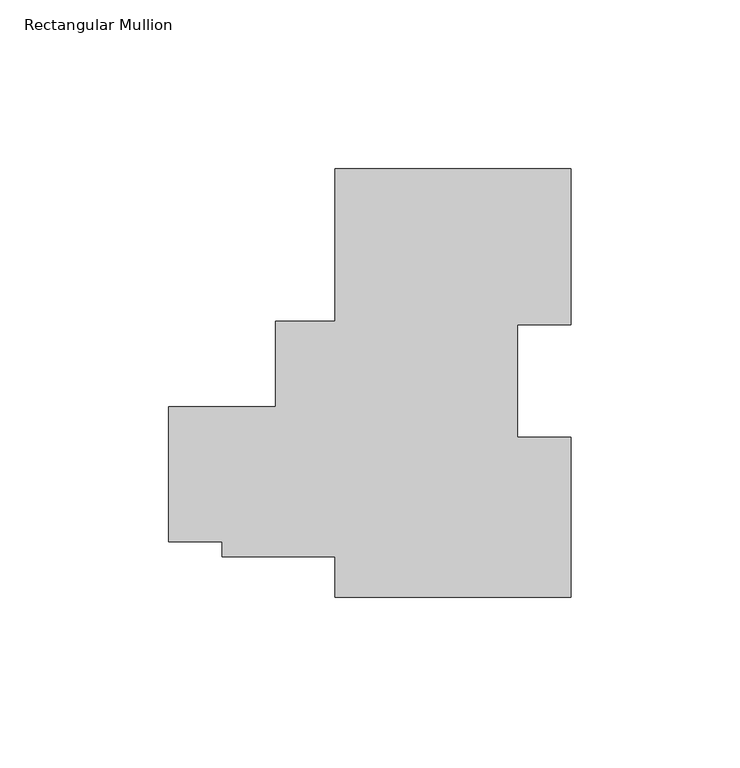
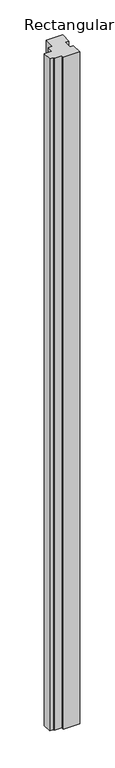
"""IFC4 building model written with IfcOpenShell, lengths in millimetres: member geometry, Rectangular Mullion."""

from ifc_helpers import new_model, si_unit, frame, origin, place, context, project, spatial, polyline, outline, extrude, source, transform, mapped, element, save


def rectangular_mullion_006559b5(model_context):
    return source(origin(), model_context, "Body", "SweptSolid", [
        extrude(outline(polyline([(-69.9423164, -80.16875), (-69.9423164, -68.1844319), (-103.3839122, -68.1844319), (-103.3839122, -63.7394319), (-119.2580027, -63.7394319), (-119.2580027, -23.7424544), (-87.5098327, -23.7424544), (-87.5098327, 1.6575456), (-69.9423164, 1.6575456), (-69.9423164, 46.83125), (0.0, 46.83125), (0.0, 0.6499846), (-15.8750006, 0.6499846), (-15.8750006, -32.7093614), (-6e-07, -32.7093614), (-6e-07, -80.16875), (-69.9423164, -80.16875)])), frame((0.0, 0.0, -3048.0), z_axis=(0.0, 0.0, 1.0), x_axis=(1.0, 0.0, 0.0)), (0.0, 0.0, 1.0), 3048.0),
    ])


if __name__ == "__main__":
    model = new_model("IFC4")
    model_context = context("Model", 3, world=origin())
    ifc_project = project(units=[si_unit("LENGTHUNIT", "METRE", prefix="MILLI")], contexts=[model_context])
    site = spatial("IfcSite", under=ifc_project)
    building = spatial("IfcBuilding", under=site)
    placement = place(None, origin())
    rectangular_mullion_shape = rectangular_mullion_006559b5(model_context)
    element("IfcMember", 1, ObjectType="Rectangular Mullion", at=placement, inside=building, context=model_context, shape_type="MappedRepresentation", body=[
        mapped(rectangular_mullion_shape, transform((0.0, 0.0, 0.0), x_axis=(1.0, 0.0, 0.0), y_axis=(0.0, 1.0, 0.0), z_axis=(0.0, 0.0, 1.0))),
    ])
    save(model, "model.ifc")
